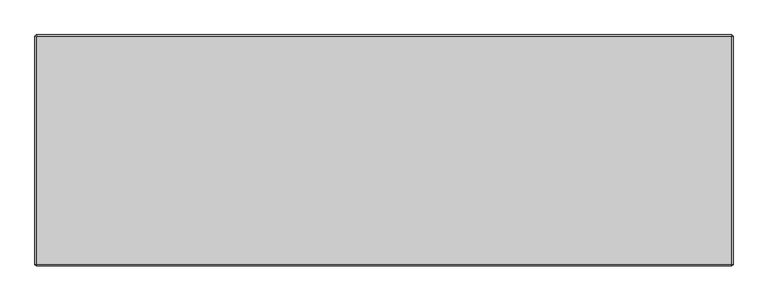
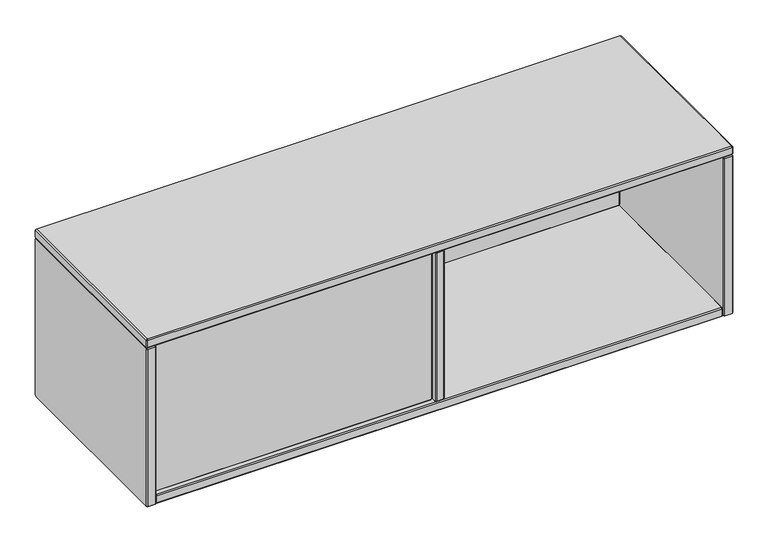
"""IFC4 building model written with IfcOpenShell, lengths in millimetres: furniture geometry."""

from ifc_helpers import new_model, si_unit, origin, place, context, project, spatial, faceted_brep, source, transform, mapped, element, save


def furniture_17a7ab1a(model_context):
    return source(origin(), model_context, "Body", "Brep", [
        faceted_brep([(22.564297, -209.0126135, 975.4826604), (21.7169989, -209.0126135, 976.3299584), (21.7169986, -209.0126135, 1301.086119), (22.5630082, -209.0126135, 1301.9321292), (598.8467091, -209.0126135, 1301.9321295), (599.6939981, -209.0126135, 1301.084841), (599.6939984, -209.0126135, 976.3312381), (598.8454211, -209.0126135, 975.4826604), (21.7169989, -228.3166132, 976.3299584), (22.564297, -228.3166132, 975.4826604), (598.8454203, -228.3166132, 975.48266), (599.6939981, -228.3166132, 976.3312373), (599.6939984, -228.3166132, 1301.0848402), (598.8467099, -228.3166132, 1301.9321292), (22.5630091, -228.3166132, 1301.9321295), (21.7169989, -228.3166132, 1301.0861198), (19.684994, -211.044618, 975.4882749), (21.7226135, -211.044618, 973.4506555), (21.7226135, -226.2846087, 973.4506555), (19.684994, -226.2846087, 975.4882749), (599.6871047, -211.044618, 973.4506555), (599.6871047, -226.2846087, 973.4506555), (601.726003, -211.044618, 975.4895538), (601.726003, -226.2846087, 975.4895538), (601.726003, -211.044618, 1301.9265245), (601.726003, -226.2846087, 1301.9265245), (599.6883934, -211.044618, 1303.9641341), (599.6883934, -226.2846087, 1303.9641341), (21.7213247, -211.044618, 1303.9641341), (21.7213247, -226.2846087, 1303.9641341), (19.684994, -211.044618, 1301.9278034), (19.684994, -226.2846087, 1301.9278034)], [[[0, 1, 2, 3, 4, 5, 6, 7]], [[8, 9, 10, 11, 12, 13, 14, 15]], [[16, 1, 0, 17]], [[16, 17, 18, 19]], [[19, 18, 9, 8]], [[17, 0, 7, 20]], [[18, 17, 20, 21]], [[9, 18, 21, 10]], [[20, 7, 6, 22]], [[21, 20, 22, 23]], [[10, 21, 23, 11]], [[22, 6, 5, 24]], [[23, 22, 24, 25]], [[11, 23, 25, 12]], [[24, 5, 4, 26]], [[25, 24, 26, 27]], [[12, 25, 27, 13]], [[26, 4, 3, 28]], [[27, 26, 28, 29]], [[13, 27, 29, 14]], [[28, 3, 2, 30]], [[29, 28, 30, 31]], [[14, 29, 31, 15]], [[1, 16, 30, 2]], [[16, 19, 31, 30]], [[19, 8, 15, 31]]]),
        faceted_brep([(621.029997, 148.8452595, 975.4882749), (623.0620027, 150.8772652, 976.3299592), (623.9093008, 150.8772652, 975.4826612), (623.0676165, 148.8452595, 973.4506555), (623.0676165, 133.6052689, 973.4506555), (621.029997, 133.6052689, 975.4882749), (623.9093008, 131.5732632, 975.4826612), (623.0620011, 131.5732654, 976.3299576), (1196.6344233, 150.8772652, 975.4826612), (1197.4761077, 148.8452595, 973.4506555), (1197.4761077, 133.6052689, 973.4506555), (1196.6344233, 131.5732632, 975.4826612), (1197.4830003, 150.8772652, 976.3312381), (1199.515006, 148.8452595, 975.4895538), (1199.515006, 133.6052689, 975.4895538), (1197.4830003, 131.5732632, 976.3312381), (1197.4830003, 150.8772652, 1301.0848402), (1199.515006, 148.8452595, 1301.9265245), (1199.515006, 133.6052689, 1301.9265245), (1197.4830003, 131.5732632, 1301.0848402), (1196.6357121, 150.8772652, 1301.9321284), (1197.4773964, 148.8452595, 1303.9641341), (1197.4773964, 133.6052689, 1303.9641341), (1196.6357121, 131.5732632, 1301.9321284), (623.908012, 150.8772652, 1301.9321284), (623.0663277, 148.8452595, 1303.9641341), (623.0663277, 133.6052689, 1303.9641341), (623.908012, 131.5732632, 1301.9321284), (623.0620027, 150.8772652, 1301.086119), (621.029997, 148.8452595, 1301.9278034), (621.029997, 133.6052689, 1301.9278034), (623.0620027, 131.5732632, 1301.086119)], [[[0, 1, 2, 3]], [[0, 3, 4, 5]], [[5, 4, 6, 7]], [[3, 2, 8, 9]], [[4, 3, 9, 10]], [[6, 4, 10, 11]], [[9, 8, 12, 13]], [[10, 9, 13, 14]], [[11, 10, 14, 15]], [[13, 12, 16, 17]], [[14, 13, 17, 18]], [[15, 14, 18, 19]], [[17, 16, 20, 21]], [[18, 17, 21, 22]], [[19, 18, 22, 23]], [[21, 20, 24, 25]], [[22, 21, 25, 26]], [[23, 22, 26, 27]], [[25, 24, 28, 29]], [[26, 25, 29, 30]], [[27, 26, 30, 31]], [[1, 0, 29, 28]], [[0, 5, 30, 29]], [[5, 7, 31, 30]], [[2, 1, 28, 24, 20, 16, 12, 8]], [[7, 6, 11, 15, 19, 23, 27, 31]]]),
        faceted_brep([(0.381, 160.1899826, 1301.9321289), (0.381, 161.0359948, 1301.0861167), (0.381, 161.0359948, 959.0585981), (0.381, 158.1641576, 956.1805146), (0.381, -237.6617899, 956.1773915), (0.381, -238.507861, 957.0234626), (0.381, -238.5047378, 1301.0861258), (0.381, -237.6587347, 1301.9321289), (19.6849994, 161.035991, 1301.0861129), (19.6849994, 160.1899788, 1301.9321251), (19.6849994, -237.6587347, 1301.9321235), (19.6849994, -238.504734, 1301.086122), (19.6849994, -238.5047325, 957.0265857), (19.6849994, -237.6649092, 956.1805184), (19.6849994, 158.1610344, 956.1773968), (19.6849994, 161.0391141, 959.0554788), (2.4130052, 163.068, 1301.9278008), (2.4130052, 161.0316667, 1303.9641341), (17.6529888, 161.0316667, 1303.9641341), (17.6529888, 163.068, 1301.9278008), (2.4130052, -238.5004189, 1303.9641341), (17.6529888, -238.5004189, 1303.9641341), (2.4130052, -240.5367431, 1301.9278099), (17.6529888, -240.5367431, 1301.9278099), (2.4130052, -240.5367431, 956.1786553), (17.6529888, -240.5367431, 956.1786553), (2.4130052, -238.503474, 954.1453862), (17.6529888, -238.503474, 954.1453862), (2.4130052, 159.0027185, 954.1453862), (17.6529888, 159.0027185, 954.1453862), (2.4130052, 163.068, 958.2106677), (17.6529888, 163.068, 958.2106677)], [[[0, 1, 2, 3, 4, 5, 6, 7]], [[8, 9, 10, 11, 12, 13, 14, 15]], [[16, 1, 0, 17]], [[16, 17, 18, 19]], [[19, 18, 9, 8]], [[17, 0, 7, 20]], [[18, 17, 20, 21]], [[9, 18, 21, 10]], [[20, 7, 6, 22]], [[21, 20, 22, 23]], [[10, 21, 23, 11]], [[22, 6, 5, 24]], [[23, 22, 24, 25]], [[11, 23, 25, 12]], [[24, 5, 4, 26]], [[25, 24, 26, 27]], [[12, 25, 27, 13]], [[26, 4, 3, 28]], [[27, 26, 28, 29]], [[13, 27, 29, 14]], [[28, 3, 2, 30]], [[29, 28, 30, 31]], [[14, 29, 31, 15]], [[1, 16, 30, 2]], [[16, 19, 31, 30]], [[19, 8, 15, 31]]]),
        faceted_brep([(621.0300073, 159.0039823, 1301.0861094), (621.0300073, 158.1579701, 1301.9321216), (621.0300073, -235.5967084, 1301.9321186), (621.0300073, -236.4427043, 1301.0854873), (621.0300073, -236.4420701, 976.3256086), (621.0300073, -235.5994407, 975.4829835), (621.0300073, 156.1290292, 975.4826709), (621.0300073, 159.0039823, 978.3576283), (601.7253716, 158.157531, 1301.9316824), (601.7253716, 159.0035431, 1301.0856703), (601.7253716, 159.0033582, 978.357621), (601.7253716, 156.1285828, 975.4831071), (601.7253716, -235.5991324, 975.483292), (601.7253716, -236.4413183, 976.3257395), (601.7253716, -236.441449, 1301.0861258), (601.7253716, -235.5959464, 1301.9313668), (603.7580082, 161.0359948, 1301.9278008), (603.7580082, 158.9996615, 1303.9641341), (618.9979918, 158.9996615, 1303.9641341), (618.9979918, 161.0359948, 1301.9278008), (603.7580082, -236.4377614, 1303.9641341), (618.9979918, -236.4377614, 1303.9641341), (603.7580082, -238.4740856, 1301.9278099), (618.9979918, -238.4740856, 1301.9278099), (603.7580082, -238.4740856, 975.4839245), (618.9979918, -238.4740856, 975.4839245), (603.7580082, -236.4408165, 973.4506555), (618.9979918, -236.4408165, 973.4506555), (603.7580082, 156.9707133, 973.4506555), (618.9979918, 156.9707133, 973.4506555), (603.7580082, 161.0359948, 977.5159369), (618.9979918, 161.0359948, 977.5159369)], [[[0, 1, 2, 3, 4, 5, 6, 7]], [[8, 9, 10, 11, 12, 13, 14, 15]], [[16, 9, 8, 17]], [[16, 17, 18, 19]], [[19, 18, 1, 0]], [[17, 8, 15, 20]], [[18, 17, 20, 21]], [[1, 18, 21, 2]], [[20, 15, 14, 22]], [[21, 20, 22, 23]], [[2, 21, 23, 3]], [[22, 14, 13, 24]], [[23, 22, 24, 25]], [[3, 23, 25, 4]], [[24, 13, 12, 26]], [[25, 24, 26, 27]], [[4, 25, 27, 5]], [[26, 12, 11, 28]], [[27, 26, 28, 29]], [[5, 27, 29, 6]], [[28, 11, 10, 30]], [[29, 28, 30, 31]], [[6, 29, 31, 7]], [[9, 16, 30, 10]], [[16, 19, 31, 30]], [[19, 0, 7, 31]]]),
        faceted_brep([(1216.7869948, 163.0679927, 1301.9277978), (1201.5470112, 163.0679927, 1301.9277978), (1201.5470112, 161.0316637, 1303.9641268), (1216.7869948, 161.0316637, 1303.9641268), (1201.5470112, -238.5004158, 1303.9641268), (1216.7869948, -238.5004158, 1303.9641268), (1201.5470112, -240.5367358, 1301.9278069), (1216.7869948, -240.5367358, 1301.9278069), (1201.5470112, -240.5367358, 956.1730446), (1216.7869948, -240.5367358, 956.1730446), (1201.5470112, -238.503471, 954.1397798), (1216.7869948, -238.503471, 954.1397798), (1201.5470112, 159.0027155, 954.1397798), (1216.7869948, 159.0027155, 954.1397798), (1201.5470112, 163.0679927, 958.205057), (1216.7869948, 163.0679927, 958.205057), (1218.819, 160.1899796, 1301.9321216), (1218.819, 161.0359875, 1301.0861137), (1199.515006, 161.0359875, 1301.0861137), (1199.5150097, 160.1899822, 1301.9321242), (1218.819, -237.6587317, 1301.9321216), (1199.5150097, -237.6587317, 1301.9321253), (1218.819, -238.5047305, 1301.0861227), (1199.5150097, -238.5047332, 1301.0861254), (1218.819, -238.5047305, 957.0147287), (1199.5150097, -238.5047343, 957.0147287), (1218.819, -237.6617868, 956.171785), (1199.5150097, -237.6617895, 956.1717824), (1218.819, 158.1610314, 956.171785), (1199.5150097, 158.1610314, 956.1717813), (1218.819, 161.0359875, 959.0467411), (1199.5150097, 161.0359901, 959.0467385)], [[[0, 1, 2, 3]], [[3, 2, 4, 5]], [[5, 4, 6, 7]], [[7, 6, 8, 9]], [[9, 8, 10, 11]], [[11, 10, 12, 13]], [[13, 12, 14, 15]], [[1, 0, 15, 14]], [[0, 3, 16, 17]], [[2, 1, 18, 19]], [[3, 5, 20, 16]], [[4, 2, 19, 21]], [[5, 7, 22, 20]], [[6, 4, 21, 23]], [[7, 9, 24, 22]], [[8, 6, 23, 25]], [[9, 11, 26, 24]], [[10, 8, 25, 27]], [[11, 13, 28, 26]], [[12, 10, 27, 29]], [[13, 15, 30, 28]], [[14, 12, 29, 31]], [[15, 0, 17, 30]], [[1, 14, 31, 18]], [[19, 18, 31, 29, 27, 25, 23, 21]], [[17, 16, 20, 22, 24, 26, 28, 30]]]),
        faceted_brep([(2.4142691, 160.1937872, 1303.9641341), (0.381, 161.0359948, 1305.9974031), (2.4130052, 163.068, 1305.9974031), (3.2552128, 161.0347309, 1303.9641341), (0.381, 161.0359948, 1321.2305205), (2.4142691, 160.1937872, 1323.2637895), (3.2552128, 161.0347309, 1323.2637895), (2.4130052, 163.068, 1321.2305205), (1216.7869875, 163.068, 1305.9974031), (1215.9447799, 161.0347309, 1303.9641341), (1215.9447799, 161.0347309, 1323.2637895), (1216.7869875, 163.068, 1321.2305205), (1218.819, 161.0359875, 1305.9974031), (1216.7857309, 160.1937799, 1303.9641341), (1216.7857309, 160.1937799, 1323.2637895), (1218.819, 161.0359875, 1321.2305205), (1218.819, -238.5047363, 1305.9974031), (1216.7857309, -237.6625286, 1303.9641341), (1216.7857309, -237.6625286, 1323.2637895), (1218.819, -238.5047363, 1321.2305205), (1216.7869932, -240.5367431, 1305.9974031), (1215.9447856, -238.503474, 1303.9641341), (1215.9447856, -238.503474, 1323.2637895), (1216.7869932, -240.5367431, 1321.2305205), (2.413, -240.5367431, 1305.9974031), (3.2552076, -238.503474, 1303.9641341), (3.2552076, -238.503474, 1323.2637895), (2.413, -240.5367431, 1321.2305205), (0.381, -238.5047431, 1305.9974031), (2.4142691, -237.6625355, 1303.9641341), (2.4142691, -237.6625355, 1323.2637895), (0.381, -238.5047431, 1321.2305205)], [[[0, 1, 2, 3]], [[4, 5, 6, 7]], [[2, 1, 4, 7]], [[3, 2, 8, 9]], [[7, 6, 10, 11]], [[2, 7, 11, 8]], [[9, 8, 12, 13]], [[11, 10, 14, 15]], [[8, 11, 15, 12]], [[13, 12, 16, 17]], [[15, 14, 18, 19]], [[12, 15, 19, 16]], [[17, 16, 20, 21]], [[19, 18, 22, 23]], [[16, 19, 23, 20]], [[21, 20, 24, 25]], [[23, 22, 26, 27]], [[20, 23, 27, 24]], [[25, 24, 28, 29]], [[27, 26, 30, 31]], [[24, 27, 31, 28]], [[1, 0, 29, 28]], [[5, 4, 31, 30]], [[4, 1, 28, 31]], [[6, 5, 30, 26, 22, 18, 14, 10]], [[0, 3, 9, 13, 17, 21, 25, 29]]]),
        faceted_brep([(21.7182631, 160.1937872, 954.151), (19.684994, 161.0359948, 956.1842691), (21.7169992, 163.068, 956.1842691), (22.5592069, 161.0347309, 954.151), (19.684994, 161.0359948, 971.4173864), (21.7182631, 160.1937872, 973.4506555), (22.5631764, 161.0307614, 973.4562692), (21.7169992, 163.068, 971.4173864), (1197.4829972, 163.068, 956.1842691), (1196.6407896, 161.0347309, 954.151), (1196.6407896, 161.0291172, 973.4562692), (1197.4829972, 163.068, 971.4173864), (1199.5150097, 161.0359875, 956.1842691), (1197.4817406, 160.1937799, 954.151), (1197.4777711, 160.1898103, 973.4562692), (1199.5150097, 161.0359875, 971.4173864), (1199.5150097, -236.4420788, 956.1842691), (1197.4817406, -235.5998711, 954.151), (1197.4761269, -235.5998711, 973.4562692), (1199.5150097, -236.4420788, 971.4173864), (1197.4830029, -238.4740856, 956.1842691), (1196.6407953, -236.4408165, 954.151), (1196.6368258, -236.436847, 973.4562692), (1197.4830029, -238.4740856, 971.4173864), (21.716994, -238.4740856, 956.1842691), (22.5592016, -236.4408165, 954.151), (22.5592016, -236.4352027, 973.4562692), (21.716994, -238.4740856, 971.4173864), (19.684994, -236.4420856, 956.1842691), (21.7182631, -235.599878, 954.151), (21.7222326, -235.5959084, 973.4562692), (19.684994, -236.4420856, 971.4173864)], [[[0, 1, 2, 3]], [[4, 5, 6, 7]], [[2, 1, 4, 7]], [[3, 2, 8, 9]], [[7, 6, 10, 11]], [[2, 7, 11, 8]], [[9, 8, 12, 13]], [[11, 10, 14, 15]], [[8, 11, 15, 12]], [[13, 12, 16, 17]], [[15, 14, 18, 19]], [[12, 15, 19, 16]], [[17, 16, 20, 21]], [[19, 18, 22, 23]], [[16, 19, 23, 20]], [[21, 20, 24, 25]], [[23, 22, 26, 27]], [[20, 23, 27, 24]], [[25, 24, 28, 29]], [[27, 26, 30, 31]], [[24, 27, 31, 28]], [[1, 0, 29, 28]], [[5, 4, 31, 30]], [[4, 1, 28, 31]], [[6, 5, 30, 26, 22, 18, 14, 10]], [[0, 3, 9, 13, 17, 21, 25, 29]]]),
    ])


if __name__ == "__main__":
    model = new_model("IFC4")
    model_context = context("Model", 3, world=origin())
    ifc_project = project(units=[si_unit("LENGTHUNIT", "METRE", prefix="MILLI")], contexts=[model_context])
    site = spatial("IfcSite", under=ifc_project)
    building = spatial("IfcBuilding", under=site)
    placement = place(None, origin())
    furniture_shape = furniture_17a7ab1a(model_context)
    element("IfcFurniture", 1, at=placement, inside=building, context=model_context, shape_type="MappedRepresentation", body=[
        mapped(furniture_shape, transform((0.0, 0.0, 0.0), x_axis=(1.0, 0.0, 0.0), y_axis=(0.0, 1.0, 0.0), z_axis=(0.0, 0.0, 1.0))),
    ])
    save(model, "model.ifc")
